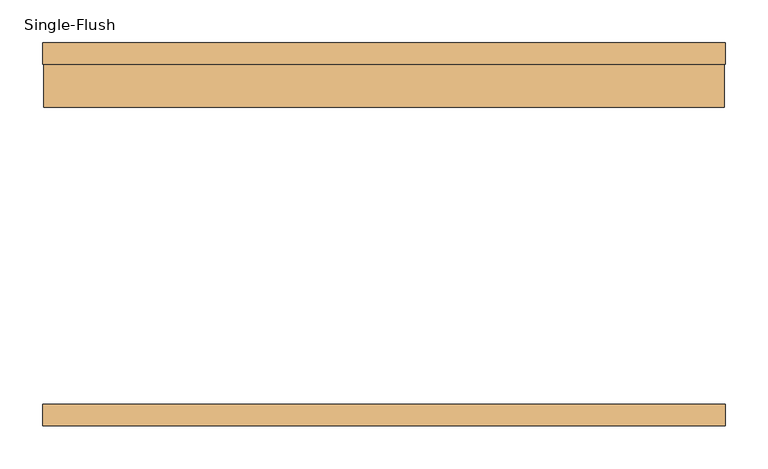
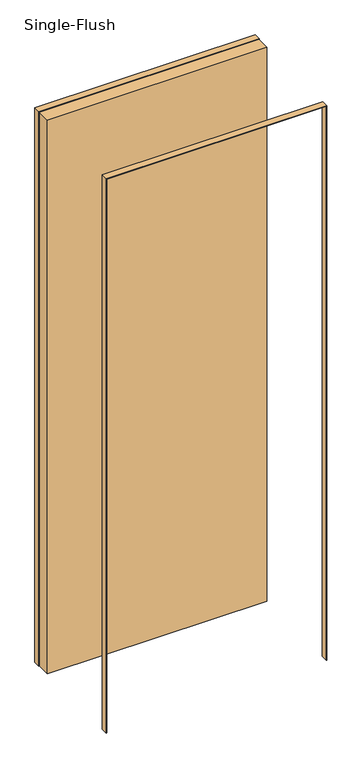
"""IFC4 building model written with IfcOpenShell, lengths in millimetres: door geometry, Single-Flush."""

import ifcopenshell
import ifcopenshell.guid

model = None  # the IFC model being written
_history = None  # IfcOwnerHistory: only IFC2X3 demands one
_inside = {}  # id of a spatial element -> (the spatial element, [elements in it])
_under = {}  # id of a project, library or spatial element -> (it, [spatial elements below it])
_declared = {}  # id of a project -> (the project, [libraries it declares])
_typed = {}  # id of a type object -> (the type object, [elements of that type])
_made_of = {}  # id of a material, layer set ... -> (it, [elements and type objects made of it])


def new_model(schema):
    """Start an empty IFC model of exactly this schema.

    Asked for "IFC4X3", IfcOpenShell would pick the latest addendum, in which some entities
    have other attributes; the version numbers below select the first issue.
    IFC2X3 requires an IfcOwnerHistory on every rooted entity: one is made here for all.
    """
    global model, _history
    if schema == "IFC4X3":
        model = ifcopenshell.file(schema_version=(4, 3, 0, 0))
    else:
        model = ifcopenshell.file(schema=schema)
    _inside.clear()
    _under.clear()
    _declared.clear()
    _typed.clear()
    _made_of.clear()
    _history = None
    if model.schema == "IFC2X3":
        org = make("IfcOrganization", Name="unknown")
        user = make(
            "IfcPersonAndOrganization",
            ThePerson=make("IfcPerson", FamilyName="unknown"),
            TheOrganization=org,
        )
        app = make(
            "IfcApplication",
            ApplicationDeveloper=org,
            Version="unknown",
            ApplicationFullName="unknown",
            ApplicationIdentifier="unknown",
        )
        _history = make(
            "IfcOwnerHistory",
            OwningUser=user,
            OwningApplication=app,
            ChangeAction="ADDED",
            CreationDate=0,
        )
    return model


def make(cls, **values):
    """One entity of the class cls with the attributes given. An attribute that is None is left unset."""
    return model.create_entity(
        cls, **{name: value for name, value in values.items() if value is not None}
    )


def rooted(cls, **values):
    """An entity with a GlobalId (a new one), such as an element, a storey or a relation."""
    return make(cls, GlobalId=ifcopenshell.guid.new(), OwnerHistory=_history, **values)


def si_unit(unit_type, name, prefix=None):
    """IfcSIUnit, for example si_unit("LENGTHUNIT", "METRE", prefix="MILLI")."""
    return make("IfcSIUnit", UnitType=unit_type, Prefix=prefix, Name=name)


def assignment(units):
    """IfcUnitAssignment: the units of a project."""
    return None if units is None else make("IfcUnitAssignment", Units=units)


def point(xyz):
    """IfcCartesianPoint."""
    return None if xyz is None else make("IfcCartesianPoint", Coordinates=xyz)


def direction(xyz):
    """IfcDirection."""
    return None if xyz is None else make("IfcDirection", DirectionRatios=xyz)


def frame(location, z_axis=None, x_axis=None):
    """IfcAxis2Placement3D, a coordinate frame: its origin and axes. An axis left out is left unset."""
    return make(
        "IfcAxis2Placement3D",
        Location=point(location),
        Axis=direction(z_axis),
        RefDirection=direction(x_axis),
    )


def origin():
    """The frame at (0, 0, 0) with its axes left unset."""
    return frame((0.0, 0.0, 0.0))


def origin_with_axes():
    """The frame at (0, 0, 0) with the z axis (0, 0, 1) and the x axis (1, 0, 0) written out."""
    return frame((0.0, 0.0, 0.0), z_axis=(0.0, 0.0, 1.0), x_axis=(1.0, 0.0, 0.0))


def place(relative_to, where):
    """IfcLocalPlacement: puts the frame where relative to a parent placement (None: the world)."""
    return make(
        "IfcLocalPlacement", PlacementRelTo=relative_to, RelativePlacement=where
    )


def context(
    kind, dimensions, precision=None, world=None, true_north=None, identifier=None
):
    """IfcGeometricRepresentationContext, for example the 3D "Model" context."""
    return make(
        "IfcGeometricRepresentationContext",
        ContextIdentifier=identifier,
        ContextType=kind,
        CoordinateSpaceDimension=dimensions,
        Precision=precision,
        WorldCoordinateSystem=world,
        TrueNorth=true_north,
    )


def project(units=None, contexts=None):
    """IfcProject with its units and contexts."""
    return rooted(
        "IfcProject",
        Name="project",
        RepresentationContexts=contexts,
        UnitsInContext=assignment(units),
    )


def spatial(cls, under=None, at=None, **own):
    """A site, building, storey or space (cls), placed at a placement, below another one or the project."""
    s = rooted(cls, ObjectPlacement=at, **own)
    if under is not None:
        _under.setdefault(under.id(), (under, []))[1].append(s)
    return s


def polyline(points):
    """IfcPolyline through the points."""
    return make("IfcPolyline", Points=[point(p) for p in points])


def outline(outer, holes=None, kind="AREA"):
    """IfcArbitraryClosedProfileDef: a profile drawn as a closed curve; with holes, ...WithVoids."""
    if holes is None:
        return make("IfcArbitraryClosedProfileDef", ProfileType=kind, OuterCurve=outer)
    return make(
        "IfcArbitraryProfileDefWithVoids",
        ProfileType=kind,
        OuterCurve=outer,
        InnerCurves=holes,
    )


def extrude(swept, where, along, depth):
    """IfcExtrudedAreaSolid: the profile swept, set in the frame where, extruded along a direction by depth."""
    return make(
        "IfcExtrudedAreaSolid",
        SweptArea=swept,
        Position=where,
        ExtrudedDirection=direction(along),
        Depth=depth,
    )


def shape(context_of_items, identifier, shape_type, items):
    """IfcShapeRepresentation: the items that make up one representation, for example the "Body"."""
    return make(
        "IfcShapeRepresentation",
        ContextOfItems=context_of_items,
        RepresentationIdentifier=identifier,
        RepresentationType=shape_type,
        Items=items,
    )


def source(mapping_origin, context_of_items, identifier, shape_type, items):
    """IfcRepresentationMap: a shape defined once, which mapped items show again and again."""
    return make(
        "IfcRepresentationMap",
        MappingOrigin=mapping_origin,
        MappedRepresentation=shape(context_of_items, identifier, shape_type, items),
    )


def transform(
    local_origin,
    x_axis=None,
    y_axis=None,
    z_axis=None,
    scale=None,
    scale2=None,
    scale3=None,
    uniform=True,
):
    """IfcCartesianTransformationOperator3D, or its non-uniform kind. x_axis, y_axis, z_axis: its Axis1, 2, 3."""
    if uniform:
        return make(
            "IfcCartesianTransformationOperator3D",
            Axis1=direction(x_axis),
            Axis2=direction(y_axis),
            LocalOrigin=point(local_origin),
            Scale=scale,
            Axis3=direction(z_axis),
        )
    return make(
        "IfcCartesianTransformationOperator3DnonUniform",
        Axis1=direction(x_axis),
        Axis2=direction(y_axis),
        LocalOrigin=point(local_origin),
        Scale=scale,
        Axis3=direction(z_axis),
        Scale2=scale2,
        Scale3=scale3,
    )


def mapped(mapping_source, mapping_target):
    """IfcMappedItem: shows the shape of a source again, moved by a transform."""
    return make(
        "IfcMappedItem", MappingSource=mapping_source, MappingTarget=mapping_target
    )


def made_of(thing, what):
    """Note that an element or type object is made of a material, layer set ...; save() writes the relation."""
    if what is not None:
        _made_of.setdefault(what.id(), (what, []))[1].append(thing)
    return thing


def element(
    cls,
    number,
    at=None,
    inside=None,
    cuts=None,
    type_object=None,
    material=None,
    context=None,
    identifier="Body",
    shape_type=None,
    held_by="IfcProductDefinitionShape",
    body=None,
    shapes=None,
    **own,
):
    """One element of the class cls, such as IfcWall. Its Tag is "e" and its number.

    at: its placement. inside: the storey or other place that contains it. cuts: it is an
    opening in that element (IfcRelVoidsElement). A single representation is given by context,
    identifier, shape_type and body (its items); several are given by shapes. held_by: the class
    of the entity that holds the representations. save() writes the other relations.
    """
    e = rooted(cls, Tag="e%d" % number, ObjectPlacement=at, **own)
    if body is not None:
        shapes = [shape(context, identifier, shape_type, body)]
    if shapes is not None:
        e.Representation = make(held_by, Representations=shapes)
    if inside is not None:
        _inside.setdefault(inside.id(), (inside, []))[1].append(e)
    if cuts is not None:
        rooted(
            "IfcRelVoidsElement", RelatingBuildingElement=cuts, RelatedOpeningElement=e
        )
    if type_object is not None:
        _typed.setdefault(type_object.id(), (type_object, []))[1].append(e)
    return made_of(e, material)


def aggregate(whole, parts):
    """IfcRelAggregates: a whole, such as a stair, and the parts it consists of."""
    return rooted("IfcRelAggregates", RelatingObject=whole, RelatedObjects=parts)


def save(model, path):
    """Write the relations noted so far, then the file.

    IfcRelAggregates (storeys below a building ...), IfcRelContainedInSpatialStructure (elements
    in a storey), IfcRelDefinesByType, IfcRelAssociatesMaterial and IfcRelDeclares: one each for
    every whole, place, type object, material and project.
    """
    for whole, parts in _under.values():
        aggregate(whole, parts)
    for where, things in _inside.values():
        rooted(
            "IfcRelContainedInSpatialStructure",
            RelatedElements=things,
            RelatingStructure=where,
        )
    for kind, things in _typed.values():
        rooted("IfcRelDefinesByType", RelatedObjects=things, RelatingType=kind)
    for what, things in _made_of.values():
        rooted("IfcRelAssociatesMaterial", RelatedObjects=things, RelatingMaterial=what)
    for by, libraries in _declared.values():
        rooted("IfcRelDeclares", RelatingContext=by, RelatedDefinitions=libraries)
    model.write(path)


def single_flush_8a763ba7(model_context):
    return source(origin(), model_context, "Body", "SweptSolid", [
        extrude(outline(polyline([(2135.1875, -401.5875), (0.0, -401.5875), (0.0, -400.0), (2133.6, -400.0), (2133.6, 400.0), (0.0, 400.0), (0.0, 401.5875), (2135.1875, 401.5875), (2135.1875, -401.5875)])), frame((0.0, 200.0, 0.0), z_axis=(0.0, 1.0, 0.0), x_axis=(0.0, 0.0, 1.0)), (0.0, 0.0, 1.0), 25.4),
        extrude(outline(polyline([(2135.1875, 401.5875), (2135.1875, -401.5875), (0.0, -401.5875), (0.0, -400.0), (2133.6, -400.0), (2133.6, 400.0), (0.0, 400.0), (0.0, 401.5875), (2135.1875, 401.5875)])), frame((0.0, -225.4, 0.0), z_axis=(0.0, 1.0, 0.0), x_axis=(0.0, 0.0, 1.0)), (0.0, 0.0, 1.0), 25.4),
        extrude(outline(polyline([(400.0, 149.2), (-400.0, 149.2), (-400.0, 200.0), (400.0, 200.0), (400.0, 149.2)])), origin_with_axes(), (0.0, 0.0, 1.0), 2133.6),
    ])


if __name__ == "__main__":
    model = new_model("IFC4")
    model_context = context("Model", 3, world=origin())
    ifc_project = project(units=[si_unit("LENGTHUNIT", "METRE", prefix="MILLI")], contexts=[model_context])
    site = spatial("IfcSite", under=ifc_project)
    building = spatial("IfcBuilding", under=site)
    placement = place(None, origin())
    single_flush_shape = single_flush_8a763ba7(model_context)
    element("IfcDoor", 1, ObjectType="Single-Flush", at=placement, inside=building, context=model_context, shape_type="MappedRepresentation", body=[
        mapped(single_flush_shape, transform((0.0, 0.0, 0.0), x_axis=(1.0, 0.0, 0.0), y_axis=(0.0, 1.0, 0.0), z_axis=(0.0, 0.0, 1.0))),
    ])
    save(model, "model.ifc")
